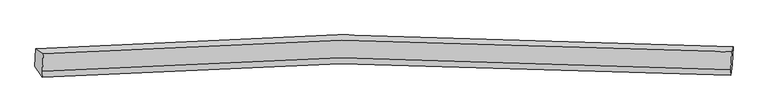
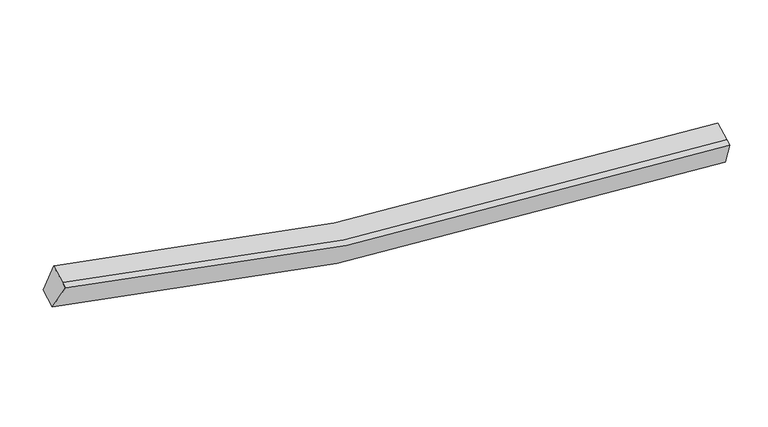
"""IFC4 building model written with IfcOpenShell, lengths in millimetres: proxy geometry."""

from ifc_helpers import new_model, si_unit, frame, origin, place, context, project, spatial, source, transform, mapped, element, save
from ifc_brep_helpers import plane_surface, spline_curve, spline_surface, advanced_brep


def generic_models_6b3227ca(model_context):
    return source(origin(), model_context, "Body", "AdvancedBrep", [
        advanced_brep(
        [(-7743.8864351, -1860.550574, 4127.6559065), (-7560.4723874, -1988.3327143, 4785.6059532), (9278.2965319, -1943.7348651, 2690.3910223), (9309.3043542, -1816.5687552, 2007.9435536), (-7582.2108294, -2419.7294346, 4606.1812018), (9256.55809, -2375.1315854, 2510.9662709), (-7589.1823393, -2558.0781959, 4548.6397534), (9249.58658, -2513.4803467, 2453.4248225), (-7765.9472488, -2298.3447214, 3945.5703635), (9287.2435405, -2254.3629026, 1825.8580106)],
        [
            (0, 1),
            (1, 2, spline_curve(3, [(-7560.4723874, -1988.3327143, 4785.6059532), (-5153.003401353, -1797.304726937, 4067.384660302), (-2720.610572713, -1687.278311948, 3529.868316304), (2876.54440481, -1621.166955439, 2717.14088378), (6057.074548566, -1716.327419702, 2556.252249734), (9278.2965319, -1943.7348651, 2690.3910223)], [4, 2, 4], [0.0, 24.699259762148277, 56.25875829374546])),
            (2, 3),
            (3, 0, spline_curve(3, [(9309.3043542, -1816.5687552, 2007.9435536), (6047.122891476, -1586.556492939, 1872.504436068), (2826.118340647, -1490.18781766, 2035.39185845), (-2842.322627091, -1556.635012702, 2857.563506863), (-5305.715007037, -1667.664295017, 3401.246868269), (-7743.8864351, -1860.550574, 4127.6559065)], [4, 2, 4], [0.0, 31.559498531597182, 56.25875829374546])),
            (1, 4),
            (4, 5, spline_curve(3, [(-7582.2108294, -2419.7294346, 4606.1812018), (-5174.741843285, -2228.701447466, 3887.959908739), (-2742.34901447, -2118.675032783, 3350.44356546), (2854.805962727, -2052.563675055, 2537.71613167), (6035.336107198, -2147.724140171, 2376.827498705), (9256.55809, -2375.1315854, 2510.9662709)], [4, 2, 4], [0.0, 24.543357178179704, 55.9036510608437])),
            (5, 2),
            (4, 6),
            (6, 7, spline_curve(3, [(-7589.1823393, -2558.0781959, 4548.6397534), (-5181.713353185, -2367.050208765, 3830.418460339), (-2749.32052447, -2257.023794083, 3292.90211706), (2847.834452727, -2190.912436355, 2480.17468327), (6028.364597198, -2286.072901471, 2319.286050305), (9249.58658, -2513.4803467, 2453.4248225)], [4, 2, 4], [0.0, 24.543357178180266, 55.90365106084498])),
            (7, 5),
            (6, 8),
            (8, 9, spline_curve(3, [(-7765.9472488, -2298.3447214, 3945.5703635), (-5327.775820737, -2105.458442417, 3219.161325269), (-2864.383440791, -1994.429160102, 2675.477963863), (2804.057526947, -1927.98196506, 1853.30631545), (6025.062077776, -2024.350640339, 1690.418893068), (9287.2435405, -2254.3629026, 1825.8580106)], [4, 2, 4], [0.0, 24.699259762148838, 56.25875829374674])),
            (9, 7),
            (8, 0),
            (3, 9),
        ],
        [
            spline_surface(3, 3, [[(-7743.8864351, -1860.550574, 4127.6559065), (-5305.715007259, -1667.664294924, 3401.246867992), (-2842.3226274, -1556.63501281, 2857.563506687), (2826.118341042, -1490.187817522, 2035.391858675), (6047.122890959, -1586.556493359, 1872.504435721), (9309.3043542, -1816.5687552, 2007.9435536)], [(-7682.748419202, -1903.144620755, 4346.972588717), (-5254.811138649, -1710.877772251, 3623.29279871), (-2801.751942409, -1600.182779246, 3081.665109961), (2842.92702886, -1533.847530045, 2262.641533585), (6050.440110177, -1629.813468949, 2100.420373865), (9298.968413444, -1858.957458484, 2235.426043186)], [(-7621.610403298, -1945.738667545, 4566.289270983), (-5203.907270032, -1754.091249614, 3845.338729478), (-2761.18125744, -1643.730545739, 3305.766713285), (2859.735716655, -1577.507242625, 2489.891208544), (6053.757329364, -1673.070444587, 2328.336311952), (9288.632472656, -1901.346161816, 2462.908532714)], [(-7560.4723874, -1988.3327143, 4785.6059532), (-5153.003401422, -1797.304726941, 4067.384660196), (-2720.610572449, -1687.278312175, 3529.868316559), (2876.544404473, -1621.166955148, 2717.140883455), (6057.074548583, -1716.327420177, 2556.252250097), (9278.2965319, -1943.7348651, 2690.3910223)]], [4, 4], [4, 2, 4], [0.0, 2.279797467302154], [0.0, 24.699259762148277, 56.25875829374546]),
            spline_surface(3, 3, [[(-7560.4723874, -1988.3327143, 4785.6059532), (-5153.003401422, -1797.304726941, 4067.384660196), (-2720.610572449, -1687.278312175, 3529.868316559), (2876.544404473, -1621.166955148, 2717.140883455), (6057.074548583, -1716.327420177, 2556.252250097), (9278.2965319, -1943.7348651, 2690.3910223)], [(-7567.718534713, -2132.131621062, 4725.797702735), (-5160.249548735, -1941.103633703, 4007.576409731), (-2727.856719761, -1831.077218937, 3470.060066093), (2869.29825716, -1764.965861909, 2657.332632989), (6049.828401271, -1860.126326939, 2496.443999631), (9271.050384588, -2087.533771862, 2630.582771835)], [(-7574.964682087, -2275.930527838, 4665.989452265), (-5167.495696109, -2084.902540479, 3947.768159262), (-2735.102867037, -1974.876125714, 3410.251815624), (2862.052109885, -1908.764768686, 2597.52438252), (6042.582253996, -2003.925233716, 2436.635749162), (9263.804237312, -2231.332678638, 2570.774521365)], [(-7582.2108294, -2419.7294346, 4606.1812018), (-5174.741843422, -2228.701447241, 3887.959908796), (-2742.349014349, -2118.675032475, 3350.443565159), (2854.805962573, -2052.563675448, 2537.716132055), (6035.336106683, -2147.724140477, 2376.827498697), (9256.55809, -2375.1315854, 2510.9662709)]], [4, 4], [4, 2, 4], [0.0, 1.5345387519053932], [0.0, 24.543357178179704, 55.9036510608437]),
            spline_surface(3, 3, [[(-7582.2108294, -2419.7294346, 4606.1812018), (-5174.741843422, -2228.701447241, 3887.959908796), (-2742.349014349, -2118.675032475, 3350.443565159), (2854.805962573, -2052.563675448, 2537.716132055), (6035.336106683, -2147.724140477, 2376.827498697), (9256.55809, -2375.1315854, 2510.9662709)], [(-7584.534666041, -2465.845688384, 4587.000719007), (-5177.065680063, -2274.817701025, 3868.779426003), (-2744.67285099, -2164.791286259, 3331.263082366), (2852.482125932, -2098.679929232, 2518.535649261), (6033.012270043, -2193.840394261, 2357.647015903), (9254.234253359, -2421.247839184, 2491.785788107)], [(-7586.858502659, -2511.961942116, 4567.820236193), (-5179.389516681, -2320.933954757, 3849.59894319), (-2746.996687708, -2210.907539991, 3312.082599552), (2850.158289214, -2144.796182964, 2499.355166448), (6030.688433324, -2239.956647993, 2338.46653309), (9251.910416641, -2467.364092916, 2472.605305293)], [(-7589.1823393, -2558.0781959, 4548.6397534), (-5181.713353322, -2367.050208541, 3830.418460396), (-2749.320524349, -2257.023793775, 3292.902116759), (2847.834452573, -2190.912436748, 2480.174683655), (6028.364596683, -2286.072901777, 2319.286050297), (9249.58658, -2513.4803467, 2453.4248225)]], [4, 4], [4, 2, 4], [0.0, 0.49212598425196924], [0.0, 24.543357178180266, 55.90365106084498]),
            spline_surface(3, 3, [[(-7589.1823393, -2558.0781959, 4548.6397534), (-5181.713353322, -2367.050208541, 3830.418460396), (-2749.320524349, -2257.023793775, 3292.902116759), (2847.834452573, -2190.912436748, 2480.174683655), (6028.364596683, -2286.072901777, 2319.286050297), (9249.58658, -2513.4803467, 2453.4248225)], [(-7648.103975792, -2471.500371049, 4347.61662345), (-5230.400842527, -2279.852953118, 3626.666081945), (-2787.674829935, -2169.492249244, 3087.094065752), (2833.24214416, -2103.268946129, 2271.218561011), (6027.26375687, -2198.832148091, 2109.663664419), (9262.138900161, -2427.10786532, 2244.235885181)], [(-7707.025612308, -2384.922546251, 4146.59349345), (-5279.088331755, -2192.655697747, 3422.913703443), (-2826.029135514, -2081.960704742, 2881.286014694), (2818.649835755, -2015.62545554, 2062.262438318), (6026.162917072, -2111.591394445, 1900.041278598), (9274.691220339, -2340.73538398, 2035.046947919)], [(-7765.9472488, -2298.3447214, 3945.5703635), (-5327.775820959, -2105.458442324, 3219.161324992), (-2864.3834411, -1994.42916021, 2675.477963687), (2804.057527342, -1927.981964922, 1853.306315675), (6025.062077259, -2024.350640759, 1690.418892721), (9287.2435405, -2254.3629026, 1825.8580106)]], [4, 4], [4, 2, 4], [0.0, 2.230956929951244], [0.0, 24.699259762148838, 56.25875829374674]),
            spline_surface(3, 3, [[(-7765.9472488, -2298.3447214, 3945.5703635), (-5327.775820959, -2105.458442324, 3219.161324992), (-2864.3834411, -1994.42916021, 2675.477963687), (2804.057527342, -1927.981964922, 1853.306315675), (6025.062077259, -2024.350640759, 1690.418892721), (9287.2435405, -2254.3629026, 1825.8580106)], [(-7758.593644252, -2152.41333895, 4006.265544492), (-5320.422216412, -1959.527059874, 3279.856505984), (-2857.029836552, -1848.49777776, 2736.173144679), (2811.41113189, -1782.050582472, 1914.001496667), (6032.415681806, -1878.419258309, 1751.114073713), (9294.597145048, -2108.43152015, 1886.553191592)], [(-7751.240039648, -2006.48195645, 4066.960725508), (-5313.068611807, -1813.595677374, 3340.551687), (-2849.676231948, -1702.56639526, 2796.868325695), (2818.764736494, -1636.119199972, 1974.696677683), (6039.769286411, -1732.487875809, 1811.809254729), (9301.950749652, -1962.50013765, 1947.248372608)], [(-7743.8864351, -1860.550574, 4127.6559065), (-5305.715007259, -1667.664294924, 3401.246867992), (-2842.3226274, -1556.63501281, 2857.563506687), (2826.118341042, -1490.187817522, 2035.391858675), (6047.122890959, -1586.556493359, 1872.504435721), (9309.3043542, -1816.5687552, 2007.9435536)]], [4, 4], [4, 2, 4], [0.0, 1.557295298912306], [0.0, 24.855162604764928, 56.61386611578308]),
            plane_surface(frame((9281.1077516, -2132.0367174, 2244.4043522), z_axis=(0.9973831778080007, -0.06413651278470028, 0.033366215749354555), x_axis=(0.05537788306413821, 0.381055064912686, -0.9228923705241708))),
            plane_surface(frame((-7664.8721027, -2176.3265514, 4351.8679942), z_axis=(-0.9645033668026147, -0.058500045873859506, 0.257509223250697), x_axis=(-0.04647673281277961, -0.92232507568221, -0.38360965586759566))),
        ],
        [
            (0, [[1, 2, 3, 4]]),
            (1, [[5, 6, 7, -2]]),
            (2, [[8, 9, 10, -6]]),
            (3, [[11, 12, 13, -9]]),
            (4, [[14, -4, 15, -12]]),
            (5, [[-13, -15, -3, -7, -10]]),
            (6, [[-14, -11, -8, -5, -1]]),
        ],
    ),
    ])


if __name__ == "__main__":
    model = new_model("IFC4")
    model_context = context("Model", 3, world=origin())
    ifc_project = project(units=[si_unit("LENGTHUNIT", "METRE", prefix="MILLI")], contexts=[model_context])
    site = spatial("IfcSite", under=ifc_project)
    building = spatial("IfcBuilding", under=site)
    placement = place(None, origin())
    generic_models_shape = generic_models_6b3227ca(model_context)
    element("IfcBuildingElementProxy", 1, Name="Generic Models", at=placement, inside=building, context=model_context, shape_type="MappedRepresentation", body=[
        mapped(generic_models_shape, transform((0.0, 0.0, 0.0), x_axis=(1.0, 0.0, 0.0), y_axis=(0.0, 1.0, 0.0), z_axis=(0.0, 0.0, 1.0))),
    ])
    save(model, "model.ifc")
